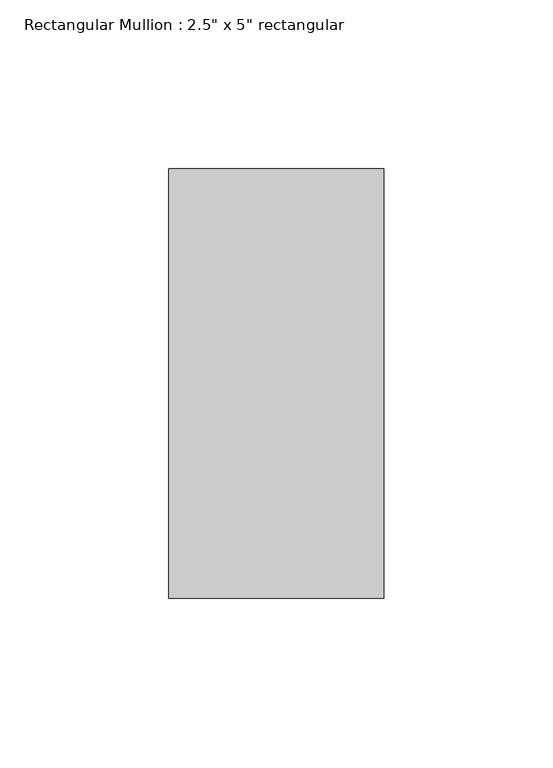
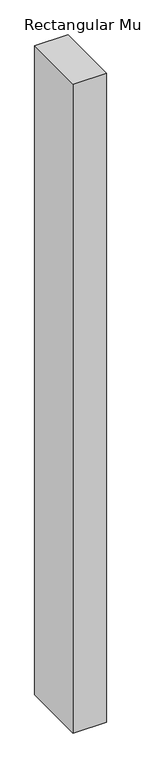
"""IFC4 building model written with IfcOpenShell, lengths in millimetres: member geometry."""

from ifc_helpers import new_model, si_unit, frame, origin, place, context, project, spatial, polyline, outline, extrude, source, transform, mapped, element, save


def member_4b424493(model_context):
    return source(origin(), model_context, "Body", "SweptSolid", [
        extrude(outline(polyline([(0.0, 63.5), (0.0, -63.5), (-63.5, -63.5), (-63.5, 63.5), (0.0, 63.5)])), frame((0.0, 0.0, -1309.6875002), z_axis=(0.0, 0.0, 1.0), x_axis=(1.0, 0.0, 0.0)), (0.0, 0.0, 1.0), 1309.6875002),
    ])


if __name__ == "__main__":
    model = new_model("IFC4")
    model_context = context("Model", 3, world=origin())
    ifc_project = project(units=[si_unit("LENGTHUNIT", "METRE", prefix="MILLI")], contexts=[model_context])
    site = spatial("IfcSite", under=ifc_project)
    building = spatial("IfcBuilding", under=site)
    placement = place(None, origin())
    member_shape = member_4b424493(model_context)
    element("IfcMember", 1, ObjectType="Rectangular Mullion : 2.5\" x 5\" rectangular", at=placement, inside=building, context=model_context, shape_type="MappedRepresentation", body=[
        mapped(member_shape, transform((0.0, 0.0, 0.0), x_axis=(1.0, 0.0, 0.0), y_axis=(0.0, 1.0, 0.0), z_axis=(0.0, 0.0, 1.0))),
    ])
    save(model, "model.ifc")
